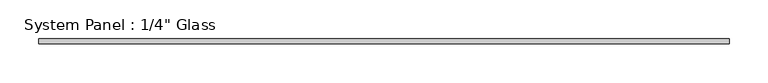
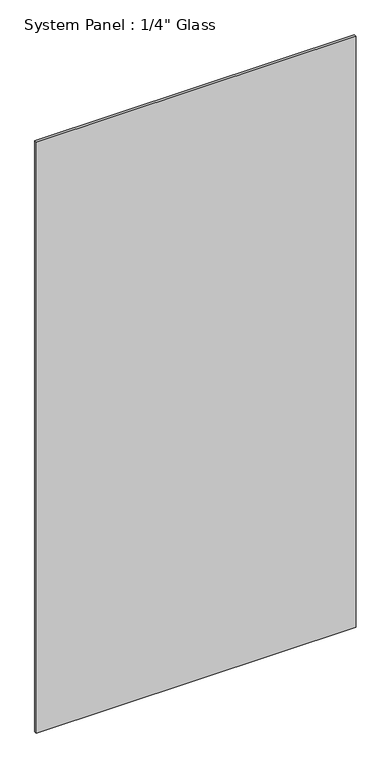
"""IFC4 building model written with IfcOpenShell, lengths in millimetres: plate geometry."""

from ifc_helpers import new_model, si_unit, origin, origin_with_axes, place, context, project, spatial, polyline, outline, extrude, source, transform, mapped, element, save


def plate_ff7b3959(model_context):
    return source(origin(), model_context, "Body", "SweptSolid", [
        extrude(outline(polyline([(445.7490395, -3.175), (-445.7490395, -3.175), (-445.7490395, 3.175), (445.7490395, 3.175), (445.7490395, -3.175)])), origin_with_axes(), (0.0, 0.0, 1.0), 1739.9),
    ])


if __name__ == "__main__":
    model = new_model("IFC4")
    model_context = context("Model", 3, world=origin())
    ifc_project = project(units=[si_unit("LENGTHUNIT", "METRE", prefix="MILLI")], contexts=[model_context])
    site = spatial("IfcSite", under=ifc_project)
    building = spatial("IfcBuilding", under=site)
    placement = place(None, origin())
    plate_shape = plate_ff7b3959(model_context)
    element("IfcPlate", 1, ObjectType="System Panel : 1/4\" Glass", at=placement, inside=building, context=model_context, shape_type="MappedRepresentation", body=[
        mapped(plate_shape, transform((0.0, 0.0, 0.0), x_axis=(1.0, 0.0, 0.0), y_axis=(0.0, 1.0, 0.0), z_axis=(0.0, 0.0, 1.0))),
    ])
    save(model, "model.ifc")
